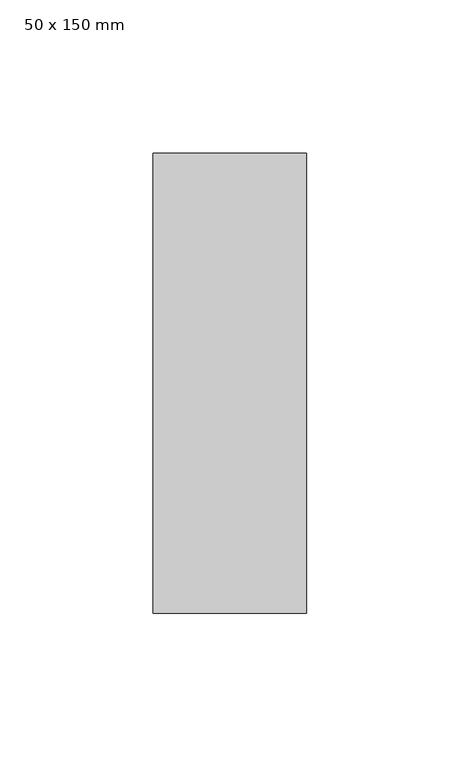
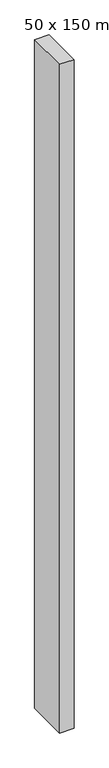
"""IFC4 building model written with IfcOpenShell, lengths in millimetres: member geometry, 50 x 150 mm."""

from ifc_helpers import new_model, si_unit, frame, origin, place, context, project, spatial, polyline, outline, extrude, source, transform, mapped, element, save


def member_50_x_150_mm_618959f4(model_context):
    return source(origin(), model_context, "Body", "SweptSolid", [
        extrude(outline(polyline([(0.0, 75.0), (0.0, -75.0), (-50.0, -75.0), (-50.0, 75.0), (0.0, 75.0)])), frame((0.0, 0.0, -2453.1629157), z_axis=(0.0, 0.0, 1.0), x_axis=(1.0, 0.0, 0.0)), (0.0, 0.0, 1.0), 2453.1629157),
    ])


if __name__ == "__main__":
    model = new_model("IFC4")
    model_context = context("Model", 3, world=origin())
    ifc_project = project(units=[si_unit("LENGTHUNIT", "METRE", prefix="MILLI")], contexts=[model_context])
    site = spatial("IfcSite", under=ifc_project)
    building = spatial("IfcBuilding", under=site)
    placement = place(None, origin())
    member_50_x_150_mm_shape = member_50_x_150_mm_618959f4(model_context)
    element("IfcMember", 1, ObjectType="50 x 150 mm", at=placement, inside=building, context=model_context, shape_type="MappedRepresentation", body=[
        mapped(member_50_x_150_mm_shape, transform((0.0, 0.0, 0.0), x_axis=(1.0, 0.0, 0.0), y_axis=(0.0, 1.0, 0.0), z_axis=(0.0, 0.0, 1.0))),
    ])
    save(model, "model.ifc")
